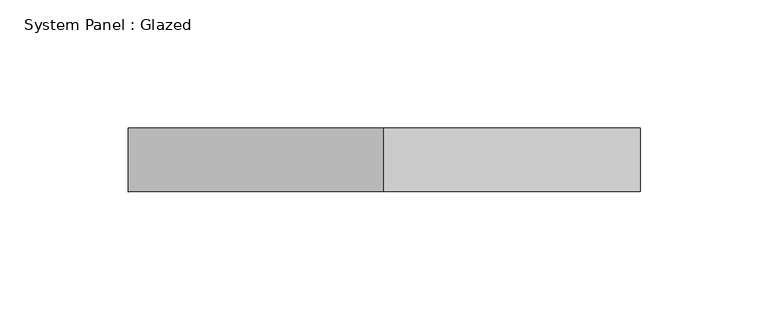
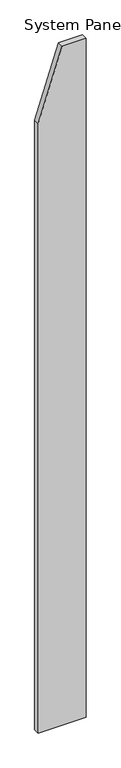
"""IFC4 building model written with IfcOpenShell, lengths in millimetres: plate geometry, System Panel : Glazed."""

from ifc_helpers import new_model, si_unit, frame, origin, place, context, project, spatial, polyline, outline, extrude, source, transform, mapped, element, save


def system_panel_glazed_6c4d277c(model_context):
    return source(origin(), model_context, "Body", "SweptSolid", [
        extrude(outline(polyline([(0.0, -100.0), (0.0, 100.0), (3000.0, 100.0), (3000.0, -3e-07), (2692.3076932, -100.0), (0.0, -100.0)])), frame((0.0, 24.5, 0.0), z_axis=(0.0, 1.0, 0.0), x_axis=(0.0, 0.0, 1.0)), (0.0, 0.0, 1.0), 25.0),
    ])


if __name__ == "__main__":
    model = new_model("IFC4")
    model_context = context("Model", 3, world=origin())
    ifc_project = project(units=[si_unit("LENGTHUNIT", "METRE", prefix="MILLI")], contexts=[model_context])
    site = spatial("IfcSite", under=ifc_project)
    building = spatial("IfcBuilding", under=site)
    placement = place(None, origin())
    system_panel_glazed_shape = system_panel_glazed_6c4d277c(model_context)
    element("IfcPlate", 1, ObjectType="System Panel : Glazed", at=placement, inside=building, context=model_context, shape_type="MappedRepresentation", body=[
        mapped(system_panel_glazed_shape, transform((0.0, 0.0, 0.0), x_axis=(1.0, 0.0, 0.0), y_axis=(0.0, 1.0, 0.0), z_axis=(0.0, 0.0, 1.0))),
    ])
    save(model, "model.ifc")
